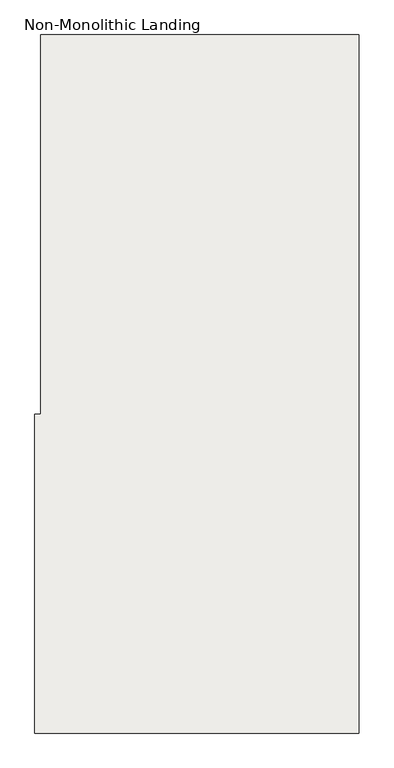
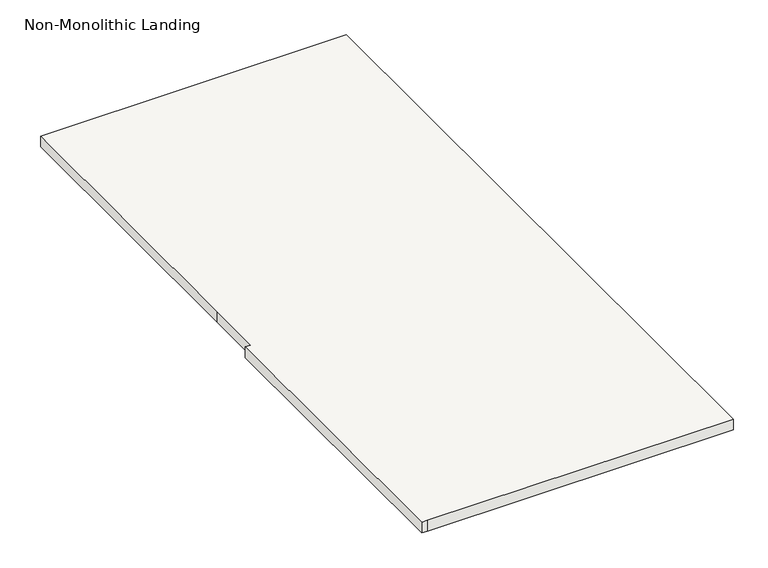
"""IFC4 building model written with IfcOpenShell, lengths in millimetres: slab geometry, Non-Monolithic Landing."""

from ifc_helpers import new_model, si_unit, frame, origin, place, context, project, spatial, polyline, outline, extrude, source, transform, mapped, element, save


def non_monolithic_landing_5c63ef09(model_context):
    return source(origin(), model_context, "Body", "SweptSolid", [
        extrude(outline(polyline([(-511321.2106288, 23351.8716336), (-509949.6106288, 23351.8716336), (-509949.6106288, 20346.7341336), (-511321.2106288, 20346.7341336), (-511346.6106288, 20346.7341336), (-511346.6106288, 21718.3341336), (-511321.2106288, 21718.3341336), (-511321.2106288, 21980.2716336), (-511321.2106288, 23351.8716336)])), frame((0.0, 0.0, 1892.8521739), z_axis=(0.0, 0.0, 1.0), x_axis=(1.0, 0.0, 0.0)), (0.0, 0.0, 1.0), 50.8),
    ])


if __name__ == "__main__":
    model = new_model("IFC4")
    model_context = context("Model", 3, world=origin())
    ifc_project = project(units=[si_unit("LENGTHUNIT", "METRE", prefix="MILLI")], contexts=[model_context])
    site = spatial("IfcSite", under=ifc_project)
    building = spatial("IfcBuilding", under=site)
    placement = place(None, origin())
    non_monolithic_landing_shape = non_monolithic_landing_5c63ef09(model_context)
    element("IfcSlab", 1, ObjectType="Non-Monolithic Landing", at=placement, inside=building, context=model_context, shape_type="MappedRepresentation", body=[
        mapped(non_monolithic_landing_shape, transform((0.0, 0.0, 0.0), x_axis=(1.0, 0.0, 0.0), y_axis=(0.0, 1.0, 0.0), z_axis=(0.0, 0.0, 1.0))),
    ])
    save(model, "model.ifc")
